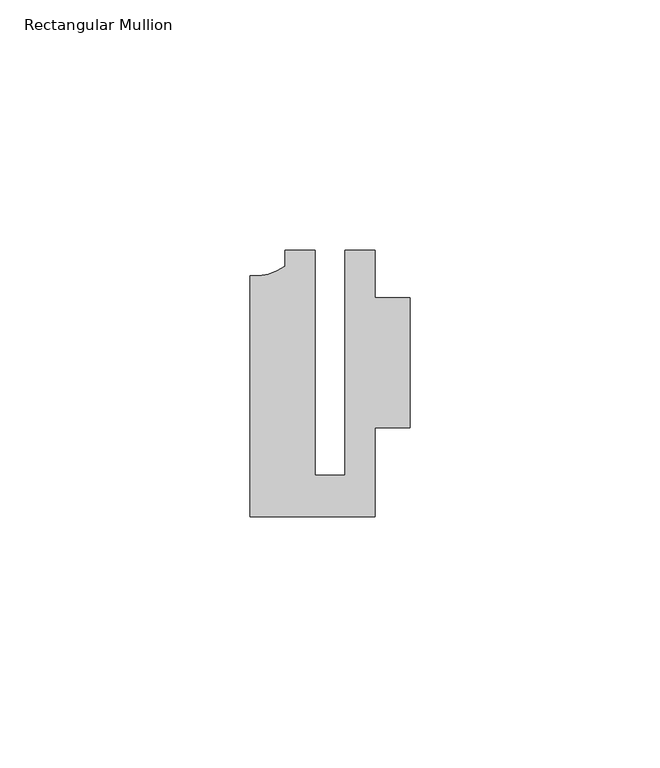
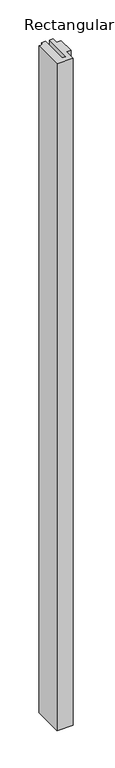
"""IFC4 building model written with IfcOpenShell, lengths in millimetres: member geometry, Rectangular Mullion."""

from ifc_helpers import new_model, si_unit, point, frame, frame_2d, origin, place, context, project, spatial, polyline, circle_curve, trimmed, segment, composite_curve, outline, extrude, source, transform, mapped, element, save


def rectangular_mullion_cdd8f936(model_context):
    return source(origin(), model_context, "Body", "SweptSolid", [
        extrude(outline(composite_curve([segment(polyline([(-2.9999659, -24.5130805), (2.9999676, -24.5130805), (2.9999676, 20.5039877), (8.9999842, 20.5039877), (8.9999842, 11.0039877), (15.9999391, 11.0039877), (15.9999391, -14.9953356), (9.0, -14.9953356), (9.0, -32.7960123), (-15.9999391, -32.7960123), (-15.9999391, 15.3837352)]), True, "CONTINUOUS"), segment(trimmed(circle_curve(frame_2d((-15.1098019, 25.802169)), 10.4563907), [point((-15.9999391, 15.3837352))], [point((-9.0, 17.3165089))], True, "CARTESIAN"), True, "CONTINUOUS"), segment(polyline([(-9.0, 17.3165089), (-9.0, 20.5039877), (-2.9999659, 20.5039877), (-2.9999659, -24.5130805)]), True, "CONTINUOUS")], self_intersect=False)), frame((0.0, 0.0, -1092.5024995), z_axis=(0.0, 0.0, 1.0), x_axis=(1.0, 0.0, 0.0)), (0.0, 0.0, 1.0), 1092.5024995),
    ])


if __name__ == "__main__":
    model = new_model("IFC4")
    model_context = context("Model", 3, world=origin())
    ifc_project = project(units=[si_unit("LENGTHUNIT", "METRE", prefix="MILLI")], contexts=[model_context])
    site = spatial("IfcSite", under=ifc_project)
    building = spatial("IfcBuilding", under=site)
    placement = place(None, origin())
    rectangular_mullion_shape = rectangular_mullion_cdd8f936(model_context)
    element("IfcMember", 1, ObjectType="Rectangular Mullion", at=placement, inside=building, context=model_context, shape_type="MappedRepresentation", body=[
        mapped(rectangular_mullion_shape, transform((0.0, 0.0, 0.0), x_axis=(1.0, 0.0, 0.0), y_axis=(0.0, 1.0, 0.0), z_axis=(0.0, 0.0, 1.0))),
    ])
    save(model, "model.ifc")
